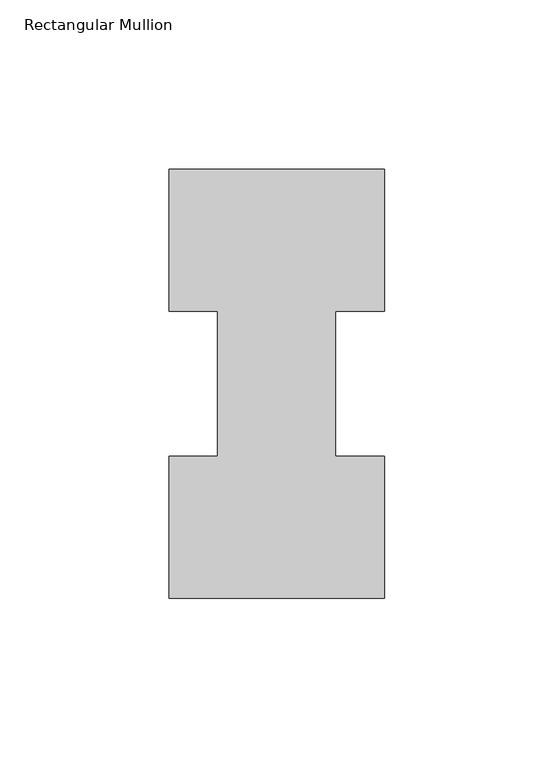
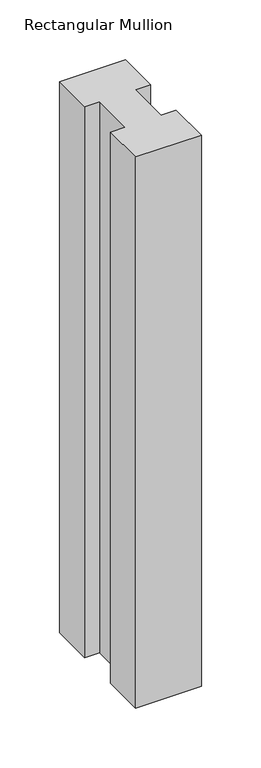
"""IFC4 building model written with IfcOpenShell, lengths in millimetres: member geometry, Rectangular Mullion."""

from ifc_helpers import new_model, si_unit, frame, origin, place, context, project, spatial, polyline, outline, extrude, source, transform, mapped, element, save


def rectangular_mullion_beb609c1(model_context):
    return source(origin(), model_context, "Body", "SweptSolid", [
        extrude(outline(polyline([(-63.5, -0.0373062), (-63.5, 41.7837937), (-49.2125, 41.7837937), (-49.2125, 84.6335937), (-63.5, 84.6335937), (-63.5, 126.4546937), (0.0, 126.4546937), (0.0, 84.6335937), (-14.4999808, 84.6335937), (-14.4999808, 41.7837937), (0.0, 41.7837937), (0.0, -0.0373062), (-63.5, -0.0373062)])), frame((0.0, 0.0, -561.6836938), z_axis=(0.0, 0.0, 1.0), x_axis=(1.0, 0.0, 0.0)), (0.0, 0.0, 1.0), 561.6836938),
    ])


if __name__ == "__main__":
    model = new_model("IFC4")
    model_context = context("Model", 3, world=origin())
    ifc_project = project(units=[si_unit("LENGTHUNIT", "METRE", prefix="MILLI")], contexts=[model_context])
    site = spatial("IfcSite", under=ifc_project)
    building = spatial("IfcBuilding", under=site)
    placement = place(None, origin())
    rectangular_mullion_shape = rectangular_mullion_beb609c1(model_context)
    element("IfcMember", 1, ObjectType="Rectangular Mullion", at=placement, inside=building, context=model_context, shape_type="MappedRepresentation", body=[
        mapped(rectangular_mullion_shape, transform((0.0, 0.0, 0.0), x_axis=(1.0, 0.0, 0.0), y_axis=(0.0, 1.0, 0.0), z_axis=(0.0, 0.0, 1.0))),
    ])
    save(model, "model.ifc")
